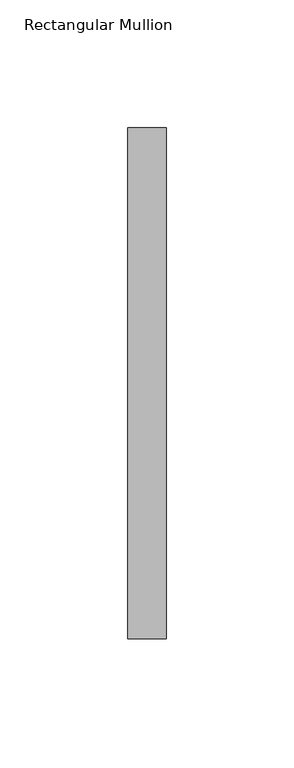
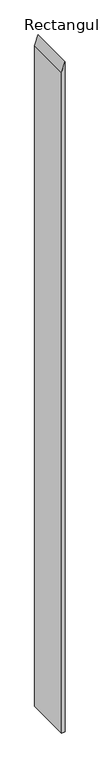
"""IFC4 building model written with IfcOpenShell, lengths in millimetres: member geometry, Rectangular Mullion."""

from ifc_helpers import new_model, si_unit, frame, origin, place, context, project, spatial, polyline, outline, extrude, source, transform, mapped, element, save


def rectangular_mullion_fbb207e7(model_context):
    return source(origin(), model_context, "Body", "SweptSolid", [
        extrude(outline(polyline([(0.0, 0.0), (-43.2409904, -15.0), (-3026.1781107, -15.0), (-3026.1781107, 0.0), (0.0, 0.0)])), frame((0.0, -253.0, 0.0), z_axis=(0.0, 1.0, 0.0), x_axis=(0.0, 0.0, 1.0)), (0.0, 0.0, 1.0), 200.0),
    ])


if __name__ == "__main__":
    model = new_model("IFC4")
    model_context = context("Model", 3, world=origin())
    ifc_project = project(units=[si_unit("LENGTHUNIT", "METRE", prefix="MILLI")], contexts=[model_context])
    site = spatial("IfcSite", under=ifc_project)
    building = spatial("IfcBuilding", under=site)
    placement = place(None, origin())
    rectangular_mullion_shape = rectangular_mullion_fbb207e7(model_context)
    element("IfcMember", 1, ObjectType="Rectangular Mullion", at=placement, inside=building, context=model_context, shape_type="MappedRepresentation", body=[
        mapped(rectangular_mullion_shape, transform((0.0, 0.0, 0.0), x_axis=(1.0, 0.0, 0.0), y_axis=(0.0, 1.0, 0.0), z_axis=(0.0, 0.0, 1.0))),
    ])
    save(model, "model.ifc")
